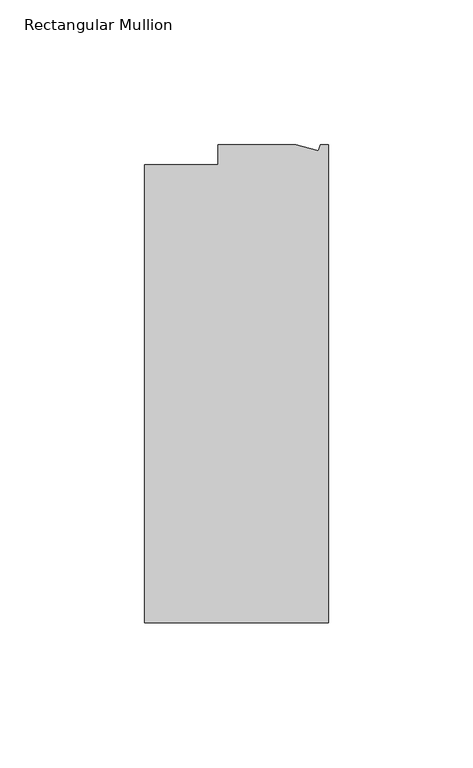
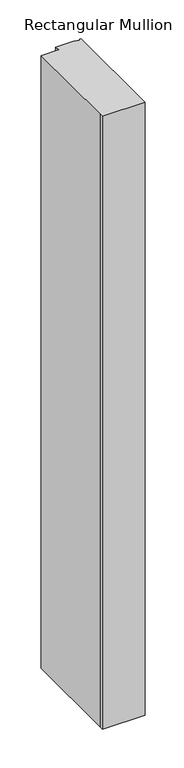
"""IFC4 building model written with IfcOpenShell, lengths in millimetres: member geometry, Rectangular Mullion."""

from ifc_helpers import new_model, si_unit, frame, origin, place, context, project, spatial, polyline, outline, extrude, source, transform, mapped, element, save


def rectangular_mullion_be54ae95(model_context):
    return source(origin(), model_context, "Body", "SweptSolid", [
        extrude(outline(polyline([(0.0, -131.0674452), (-63.5, -131.0674452), (-63.5, -124.7174452), (-63.5, 27.0729548), (-38.1, 27.0729548), (-38.1, 34.0325548), (-11.1125, 34.0325548), (-3.3223696, 31.9451957), (-2.7630634, 34.0325548), (0.0, 34.0325548), (0.0, -131.0674452)])), frame((0.0, 0.0, -965.2), z_axis=(0.0, 0.0, 1.0), x_axis=(1.0, 0.0, 0.0)), (0.0, 0.0, 1.0), 965.2),
    ])


if __name__ == "__main__":
    model = new_model("IFC4")
    model_context = context("Model", 3, world=origin())
    ifc_project = project(units=[si_unit("LENGTHUNIT", "METRE", prefix="MILLI")], contexts=[model_context])
    site = spatial("IfcSite", under=ifc_project)
    building = spatial("IfcBuilding", under=site)
    placement = place(None, origin())
    rectangular_mullion_shape = rectangular_mullion_be54ae95(model_context)
    element("IfcMember", 1, ObjectType="Rectangular Mullion", at=placement, inside=building, context=model_context, shape_type="MappedRepresentation", body=[
        mapped(rectangular_mullion_shape, transform((0.0, 0.0, 0.0), x_axis=(1.0, 0.0, 0.0), y_axis=(0.0, 1.0, 0.0), z_axis=(0.0, 0.0, 1.0))),
    ])
    save(model, "model.ifc")
